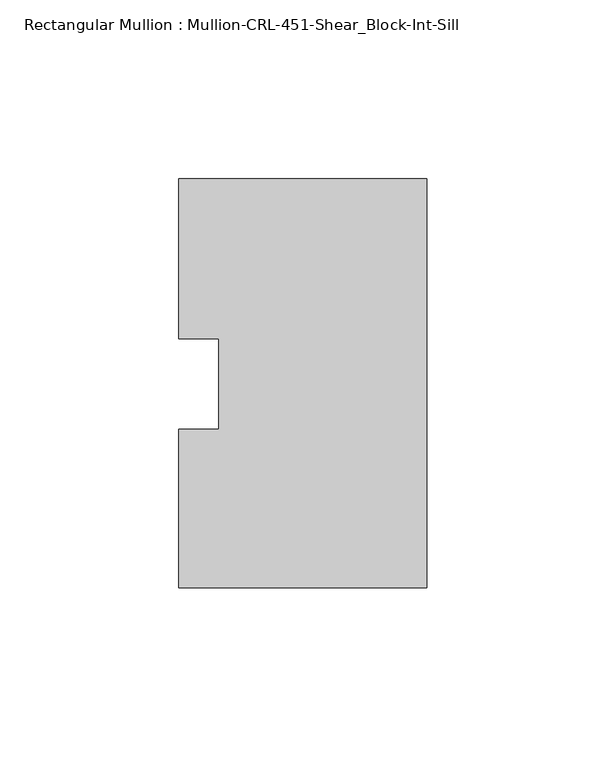
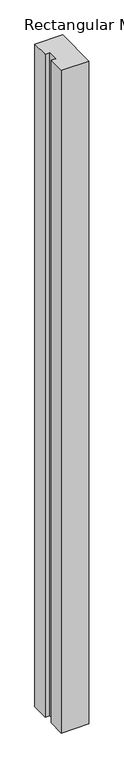
"""IFC4 building model written with IfcOpenShell, lengths in millimetres: member geometry, Rectangular Mullion : Mullion-CRL-451-Shear_Block-Int-Sill."""

from ifc_helpers import new_model, si_unit, frame, origin, place, context, project, spatial, polyline, outline, extrude, source, transform, mapped, element, save


def rectangular_mullion_mullion_crl_451_shear_block_int_sill_0c63089d(model_context):
    return source(origin(), model_context, "Body", "SweptSolid", [
        extrude(outline(polyline([(0.0, -57.15), (-69.2658181, -57.15), (-69.2658181, -12.8430761), (-58.1533181, -12.8430761), (-58.1533181, 12.5476134), (-69.2658181, 12.5476134), (-69.2658181, 57.15), (0.0, 57.15), (0.0, -57.15)])), frame((0.0, 0.0, -1752.6), z_axis=(0.0, 0.0, 1.0), x_axis=(1.0, 0.0, 0.0)), (0.0, 0.0, 1.0), 1752.6),
    ])


if __name__ == "__main__":
    model = new_model("IFC4")
    model_context = context("Model", 3, world=origin())
    ifc_project = project(units=[si_unit("LENGTHUNIT", "METRE", prefix="MILLI")], contexts=[model_context])
    site = spatial("IfcSite", under=ifc_project)
    building = spatial("IfcBuilding", under=site)
    placement = place(None, origin())
    rectangular_mullion_mullion_crl_451_shear_block_int_sill_shape = rectangular_mullion_mullion_crl_451_shear_block_int_sill_0c63089d(model_context)
    element("IfcMember", 1, ObjectType="Rectangular Mullion : Mullion-CRL-451-Shear_Block-Int-Sill", at=placement, inside=building, context=model_context, shape_type="MappedRepresentation", body=[
        mapped(rectangular_mullion_mullion_crl_451_shear_block_int_sill_shape, transform((0.0, 0.0, 0.0), x_axis=(1.0, 0.0, 0.0), y_axis=(0.0, 1.0, 0.0), z_axis=(0.0, 0.0, 1.0))),
    ])
    save(model, "model.ifc")
